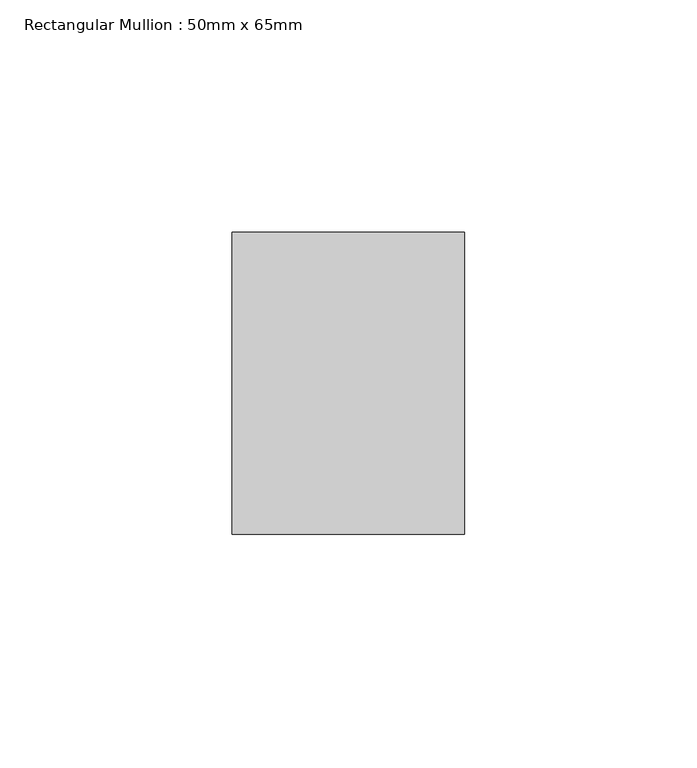
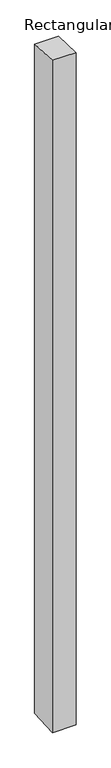
"""IFC4 building model written with IfcOpenShell, lengths in millimetres: member geometry, Rectangular Mullion : 50mm x 65mm."""

from ifc_helpers import new_model, si_unit, origin, place, context, project, spatial, faceted_brep, source, transform, mapped, element, save


def rectangular_mullion_50mm_x_65mm_7f1f5948(model_context):
    return source(origin(), model_context, "Body", "Brep", [
        faceted_brep([(-25.0, 32.5, -1.4676833), (25.0, 32.5, -1.4676675), (25.0, 32.5, -1498.1021222), (-25.0, 32.5, -1498.1021018), (-25.0, -32.5, 1.4676675), (-25.0, -32.5, -1501.8978457), (25.0, -32.5, 1.4676833), (25.0, -32.5, -1501.8978661)], [[[0, 1, 2, 3]], [[4, 0, 3, 5]], [[6, 4, 5, 7]], [[1, 6, 7, 2]], [[1, 0, 4, 6]], [[2, 7, 5, 3]]]),
    ])


if __name__ == "__main__":
    model = new_model("IFC4")
    model_context = context("Model", 3, world=origin())
    ifc_project = project(units=[si_unit("LENGTHUNIT", "METRE", prefix="MILLI")], contexts=[model_context])
    site = spatial("IfcSite", under=ifc_project)
    building = spatial("IfcBuilding", under=site)
    placement = place(None, origin())
    rectangular_mullion_50mm_x_65mm_shape = rectangular_mullion_50mm_x_65mm_7f1f5948(model_context)
    element("IfcMember", 1, ObjectType="Rectangular Mullion : 50mm x 65mm", at=placement, inside=building, context=model_context, shape_type="MappedRepresentation", body=[
        mapped(rectangular_mullion_50mm_x_65mm_shape, transform((0.0, 0.0, 0.0), x_axis=(1.0, 0.0, 0.0), y_axis=(0.0, 1.0, 0.0), z_axis=(0.0, 0.0, 1.0))),
    ])
    save(model, "model.ifc")
